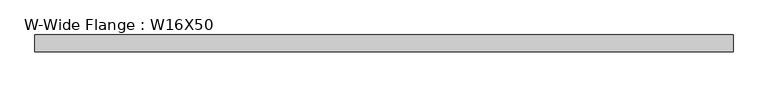
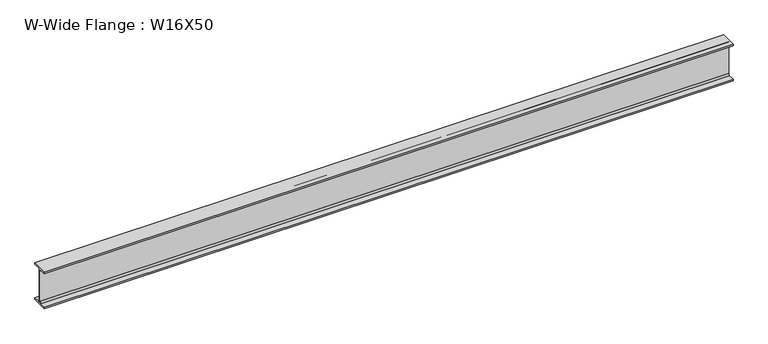
"""IFC4 building model written with IfcOpenShell, lengths in millimetres: beam geometry, W-Wide Flange : W16X50."""

from ifc_helpers import new_model, si_unit, point, frame, frame_2d, origin, place, context, project, spatial, polyline, circle_curve, trimmed, segment, composite_curve, outline, extrude, source, transform, mapped, element, save


def w_wide_flange_w16x50_7f3de7fc(model_context):
    return source(origin(), model_context, "Body", "SweptSolid", [
        extrude(outline(composite_curve([segment(polyline([(89.8, -191.0), (89.8, -207.0), (-89.8, -207.0), (-89.8, -191.0), (-22.15, -191.0)]), True, "CONTINUOUS"), segment(trimmed(circle_curve(frame_2d((-22.15, -173.7)), 17.3), [point((-22.15, -191.0))], [point((-4.85, -173.7))], True, "CARTESIAN"), True, "CONTINUOUS"), segment(polyline([(-4.85, -173.7), (-4.85, 173.7)]), True, "CONTINUOUS"), segment(trimmed(circle_curve(frame_2d((-22.15, 173.7)), 17.3), [point((-4.85, 173.7))], [point((-22.15, 191.0))], True, "CARTESIAN"), True, "CONTINUOUS"), segment(polyline([(-22.15, 191.0), (-89.8, 191.0), (-89.8, 207.0), (89.8, 207.0), (89.8, 191.0), (22.15, 191.0)]), True, "CONTINUOUS"), segment(trimmed(circle_curve(frame_2d((22.15, 173.7)), 17.3), [point((22.15, 191.0))], [point((4.85, 173.7))], True, "CARTESIAN"), True, "CONTINUOUS"), segment(polyline([(4.85, 173.7), (4.85, -173.7)]), True, "CONTINUOUS"), segment(trimmed(circle_curve(frame_2d((22.15, -173.7)), 17.3), [point((4.85, -173.7))], [point((22.15, -191.0))], True, "CARTESIAN"), True, "CONTINUOUS"), segment(polyline([(22.15, -191.0), (89.8, -191.0)]), True, "CONTINUOUS")], self_intersect=False)), frame((-3728.7107382, 0.0, 0.0), z_axis=(1.0, 0.0, 0.0), x_axis=(0.0, 1.0, 0.0)), (0.0, 0.0, 1.0), 7456.6222135),
    ])


if __name__ == "__main__":
    model = new_model("IFC4")
    model_context = context("Model", 3, world=origin())
    ifc_project = project(units=[si_unit("LENGTHUNIT", "METRE", prefix="MILLI")], contexts=[model_context])
    site = spatial("IfcSite", under=ifc_project)
    building = spatial("IfcBuilding", under=site)
    placement = place(None, origin())
    w_wide_flange_w16x50_shape = w_wide_flange_w16x50_7f3de7fc(model_context)
    element("IfcBeam", 1, ObjectType="W-Wide Flange : W16X50", at=placement, inside=building, context=model_context, shape_type="MappedRepresentation", body=[
        mapped(w_wide_flange_w16x50_shape, transform((0.0, 0.0, 0.0), x_axis=(1.0, 0.0, 0.0), y_axis=(0.0, 1.0, 0.0), z_axis=(0.0, 0.0, 1.0))),
    ])
    save(model, "model.ifc")
